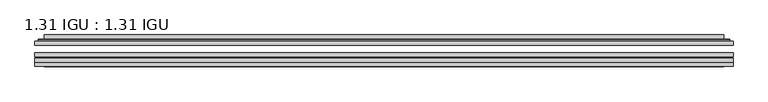
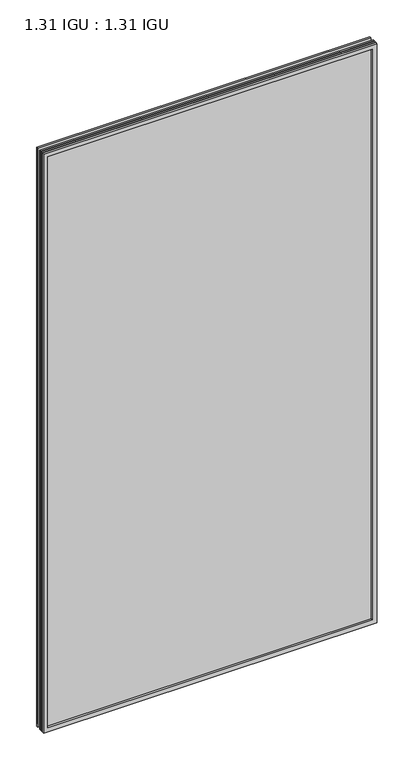
"""IFC4 building model written with IfcOpenShell, lengths in millimetres: plate geometry, 1.31 IGU : 1.31 IGU."""

import ifcopenshell
import ifcopenshell.guid

model = None  # the IFC model being written
_history = None  # IfcOwnerHistory: only IFC2X3 demands one
_inside = {}  # id of a spatial element -> (the spatial element, [elements in it])
_under = {}  # id of a project, library or spatial element -> (it, [spatial elements below it])
_declared = {}  # id of a project -> (the project, [libraries it declares])
_typed = {}  # id of a type object -> (the type object, [elements of that type])
_made_of = {}  # id of a material, layer set ... -> (it, [elements and type objects made of it])


def new_model(schema):
    """Start an empty IFC model of exactly this schema.

    Asked for "IFC4X3", IfcOpenShell would pick the latest addendum, in which some entities
    have other attributes; the version numbers below select the first issue.
    IFC2X3 requires an IfcOwnerHistory on every rooted entity: one is made here for all.
    """
    global model, _history
    if schema == "IFC4X3":
        model = ifcopenshell.file(schema_version=(4, 3, 0, 0))
    else:
        model = ifcopenshell.file(schema=schema)
    _inside.clear()
    _under.clear()
    _declared.clear()
    _typed.clear()
    _made_of.clear()
    _history = None
    if model.schema == "IFC2X3":
        org = make("IfcOrganization", Name="unknown")
        user = make(
            "IfcPersonAndOrganization",
            ThePerson=make("IfcPerson", FamilyName="unknown"),
            TheOrganization=org,
        )
        app = make(
            "IfcApplication",
            ApplicationDeveloper=org,
            Version="unknown",
            ApplicationFullName="unknown",
            ApplicationIdentifier="unknown",
        )
        _history = make(
            "IfcOwnerHistory",
            OwningUser=user,
            OwningApplication=app,
            ChangeAction="ADDED",
            CreationDate=0,
        )
    return model


def make(cls, **values):
    """One entity of the class cls with the attributes given. An attribute that is None is left unset."""
    return model.create_entity(
        cls, **{name: value for name, value in values.items() if value is not None}
    )


def rooted(cls, **values):
    """An entity with a GlobalId (a new one), such as an element, a storey or a relation."""
    return make(cls, GlobalId=ifcopenshell.guid.new(), OwnerHistory=_history, **values)


def si_unit(unit_type, name, prefix=None):
    """IfcSIUnit, for example si_unit("LENGTHUNIT", "METRE", prefix="MILLI")."""
    return make("IfcSIUnit", UnitType=unit_type, Prefix=prefix, Name=name)


def assignment(units):
    """IfcUnitAssignment: the units of a project."""
    return None if units is None else make("IfcUnitAssignment", Units=units)


def point(xyz):
    """IfcCartesianPoint."""
    return None if xyz is None else make("IfcCartesianPoint", Coordinates=xyz)


def direction(xyz):
    """IfcDirection."""
    return None if xyz is None else make("IfcDirection", DirectionRatios=xyz)


def frame(location, z_axis=None, x_axis=None):
    """IfcAxis2Placement3D, a coordinate frame: its origin and axes. An axis left out is left unset."""
    return make(
        "IfcAxis2Placement3D",
        Location=point(location),
        Axis=direction(z_axis),
        RefDirection=direction(x_axis),
    )


def origin():
    """The frame at (0, 0, 0) with its axes left unset."""
    return frame((0.0, 0.0, 0.0))


def place(relative_to, where):
    """IfcLocalPlacement: puts the frame where relative to a parent placement (None: the world)."""
    return make(
        "IfcLocalPlacement", PlacementRelTo=relative_to, RelativePlacement=where
    )


def context(
    kind, dimensions, precision=None, world=None, true_north=None, identifier=None
):
    """IfcGeometricRepresentationContext, for example the 3D "Model" context."""
    return make(
        "IfcGeometricRepresentationContext",
        ContextIdentifier=identifier,
        ContextType=kind,
        CoordinateSpaceDimension=dimensions,
        Precision=precision,
        WorldCoordinateSystem=world,
        TrueNorth=true_north,
    )


def project(units=None, contexts=None):
    """IfcProject with its units and contexts."""
    return rooted(
        "IfcProject",
        Name="project",
        RepresentationContexts=contexts,
        UnitsInContext=assignment(units),
    )


def spatial(cls, under=None, at=None, **own):
    """A site, building, storey or space (cls), placed at a placement, below another one or the project."""
    s = rooted(cls, ObjectPlacement=at, **own)
    if under is not None:
        _under.setdefault(under.id(), (under, []))[1].append(s)
    return s


def polyline(points):
    """IfcPolyline through the points."""
    return make("IfcPolyline", Points=[point(p) for p in points])


def ellipse_curve(where, semi_axis1, semi_axis2):
    """IfcEllipse in the frame where."""
    return make(
        "IfcEllipse", Position=where, SemiAxis1=semi_axis1, SemiAxis2=semi_axis2
    )


def outline(outer, holes=None, kind="AREA"):
    """IfcArbitraryClosedProfileDef: a profile drawn as a closed curve; with holes, ...WithVoids."""
    if holes is None:
        return make("IfcArbitraryClosedProfileDef", ProfileType=kind, OuterCurve=outer)
    return make(
        "IfcArbitraryProfileDefWithVoids",
        ProfileType=kind,
        OuterCurve=outer,
        InnerCurves=holes,
    )


def extrude(swept, where, along, depth):
    """IfcExtrudedAreaSolid: the profile swept, set in the frame where, extruded along a direction by depth."""
    return make(
        "IfcExtrudedAreaSolid",
        SweptArea=swept,
        Position=where,
        ExtrudedDirection=direction(along),
        Depth=depth,
    )


def faces_of(points, faces, orient=None, outer=None):
    """IfcFace entities. A face is a list of loops; a loop is a list of indices into points, from 0.

    orient and outer hold one flag for each loop. By default every Orientation is true, the
    first loop of a face is its IfcFaceOuterBound and the others are IfcFaceBound.
    """
    made = []
    for i, loops in enumerate(faces):
        bounds = []
        for j, loop in enumerate(loops):
            is_outer = j == 0 if outer is None else outer[i][j]
            bounds.append(
                make(
                    "IfcFaceOuterBound" if is_outer else "IfcFaceBound",
                    Bound=make("IfcPolyLoop", Polygon=[points[k] for k in loop]),
                    Orientation=True if orient is None else orient[i][j],
                )
            )
        made.append(make("IfcFace", Bounds=bounds))
    return made


def faceted_brep(points, faces, orient=None, outer=None, voids=None):
    """IfcFacetedBrep: a solid bounded by flat faces; with voids (closed shells), ...WithVoids."""
    shared = [point(p) for p in points]
    hull = make("IfcClosedShell", CfsFaces=faces_of(shared, faces, orient, outer))
    if voids is None:
        return make("IfcFacetedBrep", Outer=hull)
    return make(
        "IfcFacetedBrepWithVoids",
        Outer=hull,
        Voids=[
            make(cls, CfsFaces=faces_of(shared, fs, o, b)) for cls, fs, o, b in voids
        ],
    )


def shape(context_of_items, identifier, shape_type, items):
    """IfcShapeRepresentation: the items that make up one representation, for example the "Body"."""
    return make(
        "IfcShapeRepresentation",
        ContextOfItems=context_of_items,
        RepresentationIdentifier=identifier,
        RepresentationType=shape_type,
        Items=items,
    )


def source(mapping_origin, context_of_items, identifier, shape_type, items):
    """IfcRepresentationMap: a shape defined once, which mapped items show again and again."""
    return make(
        "IfcRepresentationMap",
        MappingOrigin=mapping_origin,
        MappedRepresentation=shape(context_of_items, identifier, shape_type, items),
    )


def transform(
    local_origin,
    x_axis=None,
    y_axis=None,
    z_axis=None,
    scale=None,
    scale2=None,
    scale3=None,
    uniform=True,
):
    """IfcCartesianTransformationOperator3D, or its non-uniform kind. x_axis, y_axis, z_axis: its Axis1, 2, 3."""
    if uniform:
        return make(
            "IfcCartesianTransformationOperator3D",
            Axis1=direction(x_axis),
            Axis2=direction(y_axis),
            LocalOrigin=point(local_origin),
            Scale=scale,
            Axis3=direction(z_axis),
        )
    return make(
        "IfcCartesianTransformationOperator3DnonUniform",
        Axis1=direction(x_axis),
        Axis2=direction(y_axis),
        LocalOrigin=point(local_origin),
        Scale=scale,
        Axis3=direction(z_axis),
        Scale2=scale2,
        Scale3=scale3,
    )


def mapped(mapping_source, mapping_target):
    """IfcMappedItem: shows the shape of a source again, moved by a transform."""
    return make(
        "IfcMappedItem", MappingSource=mapping_source, MappingTarget=mapping_target
    )


def made_of(thing, what):
    """Note that an element or type object is made of a material, layer set ...; save() writes the relation."""
    if what is not None:
        _made_of.setdefault(what.id(), (what, []))[1].append(thing)
    return thing


def element(
    cls,
    number,
    at=None,
    inside=None,
    cuts=None,
    type_object=None,
    material=None,
    context=None,
    identifier="Body",
    shape_type=None,
    held_by="IfcProductDefinitionShape",
    body=None,
    shapes=None,
    **own,
):
    """One element of the class cls, such as IfcWall. Its Tag is "e" and its number.

    at: its placement. inside: the storey or other place that contains it. cuts: it is an
    opening in that element (IfcRelVoidsElement). A single representation is given by context,
    identifier, shape_type and body (its items); several are given by shapes. held_by: the class
    of the entity that holds the representations. save() writes the other relations.
    """
    e = rooted(cls, Tag="e%d" % number, ObjectPlacement=at, **own)
    if body is not None:
        shapes = [shape(context, identifier, shape_type, body)]
    if shapes is not None:
        e.Representation = make(held_by, Representations=shapes)
    if inside is not None:
        _inside.setdefault(inside.id(), (inside, []))[1].append(e)
    if cuts is not None:
        rooted(
            "IfcRelVoidsElement", RelatingBuildingElement=cuts, RelatedOpeningElement=e
        )
    if type_object is not None:
        _typed.setdefault(type_object.id(), (type_object, []))[1].append(e)
    return made_of(e, material)


def aggregate(whole, parts):
    """IfcRelAggregates: a whole, such as a stair, and the parts it consists of."""
    return rooted("IfcRelAggregates", RelatingObject=whole, RelatedObjects=parts)


def save(model, path):
    """Write the relations noted so far, then the file.

    IfcRelAggregates (storeys below a building ...), IfcRelContainedInSpatialStructure (elements
    in a storey), IfcRelDefinesByType, IfcRelAssociatesMaterial and IfcRelDeclares: one each for
    every whole, place, type object, material and project.
    """
    for whole, parts in _under.values():
        aggregate(whole, parts)
    for where, things in _inside.values():
        rooted(
            "IfcRelContainedInSpatialStructure",
            RelatedElements=things,
            RelatingStructure=where,
        )
    for kind, things in _typed.values():
        rooted("IfcRelDefinesByType", RelatedObjects=things, RelatingType=kind)
    for what, things in _made_of.values():
        rooted("IfcRelAssociatesMaterial", RelatedObjects=things, RelatingMaterial=what)
    for by, libraries in _declared.values():
        rooted("IfcRelDeclares", RelatingContext=by, RelatedDefinitions=libraries)
    model.write(path)


def plane_surface(at):
    """IfcPlane: the flat surface through the origin of the frame at, square to its z axis."""
    return make("IfcPlane", Position=at)


def cylinder_surface(at, radius):
    """IfcCylindricalSurface: all points at the distance radius from the z axis of the frame at."""
    return make("IfcCylindricalSurface", Position=at, Radius=radius)


def advanced_brep(points, edges, surfaces, faces):
    """IfcAdvancedBrep: a solid bounded by faces that lie on surfaces and meet in shared edges.

    An edge is (start, end): straight between two places in points (the first is 0);
    or (start, end, curve); or (start, end, curve, False) where it runs against its curve.
    A face is (place in surfaces, loops), or (place, loops, False) where it looks against
    its surface's normal. A loop lists edges by number (the first is 1), with a minus sign
    where the edge is run from its end to its start. The first loop is the outer one.
    """
    corners = [point(p) for p in points]
    vertices = [make("IfcVertexPoint", VertexGeometry=c) for c in corners]
    made = []
    for start, end, *more in edges:
        made.append(
            make(
                "IfcEdgeCurve",
                EdgeStart=vertices[start],
                EdgeEnd=vertices[end],
                EdgeGeometry=more[0] if more else make("IfcPolyline", Points=[corners[start], corners[end]]),
                SameSense=more[1] if len(more) > 1 else True,
            )
        )
    hull = []
    for where, loops, *sense in faces:
        bounds = []
        for j, loop in enumerate(loops):
            ring = [make("IfcOrientedEdge", EdgeElement=made[abs(k) - 1], Orientation=k > 0) for k in loop]
            bounds.append(
                make(
                    "IfcFaceOuterBound" if j == 0 else "IfcFaceBound",
                    Bound=make("IfcEdgeLoop", EdgeList=ring),
                    Orientation=True,
                )
            )
        hull.append(make("IfcAdvancedFace", Bounds=bounds, FaceSurface=surfaces[where], SameSense=sense[0] if sense else True))
    return make("IfcAdvancedBrep", Outer=make("IfcClosedShell", CfsFaces=hull))


def plate_1_31_igu_1_31_igu_1517bbd0(model_context):
    return source(origin(), model_context, "Body", "SolidModel", [
        extrude(outline(polyline([(547.70485, -63.59525), (547.70485, -69.94525), (-547.690675, -69.94525), (-547.690675, -63.59525), (547.70485, -63.59525)])), frame((0.0, 0.0, -14.2875), z_axis=(0.0, 0.0, 1.0), x_axis=(1.0, 0.0, 0.0)), (0.0, 0.0, 1.0), 2009.8015278),
        extrude(outline(polyline([(-547.690675, -78.58125), (-547.690675, -72.230745), (547.70485, -72.230745), (547.70485, -78.58125), (-547.690675, -78.58125)])), frame((0.0, 0.0, -14.2875), z_axis=(0.0, 0.0, 1.0), x_axis=(1.0, 0.0, 0.0)), (0.0, 0.0, 1.0), 2009.8015278),
        extrude(outline(polyline([(547.70485, -45.25645), (547.70485, -51.60645), (-547.690675, -51.60645), (-547.690675, -45.25645), (547.70485, -45.25645)])), frame((0.0, 0.0, -14.2875), z_axis=(0.0, 0.0, 1.0), x_axis=(1.0, 0.0, 0.0)), (0.0, 0.0, 1.0), 2009.8015278),
        faceted_brep([(-547.703375, -84.93125, 1995.5229299), (-547.703375, -78.58125, 1995.5229299), (-547.703375, -78.58125, -14.3002), (-547.703375, -84.93125, -14.3002), (547.703375, -78.58125, -14.3002), (547.703375, -84.93125, -14.3002), (547.703375, -78.58125, 1995.5229299), (547.703375, -84.93125, 1995.5229299), (-532.5054309, -78.58125, 0.8977441), (532.5054309, -78.58125, 0.8977441), (532.5054309, -78.58125, 1980.3249858), (-532.5054309, -78.58125, 1980.3249858), (-533.3978652, -84.93125, 1981.2174201), (533.3978652, -84.93125, 1981.2174201), (533.3978652, -84.93125, 0.0053098), (-533.3978652, -84.93125, 0.0053098)], [[[0, 1, 2, 3]], [[3, 2, 4, 5]], [[5, 4, 6, 7]], [[1, 6, 4, 2], [8, 9, 10, 11]], [[7, 6, 1, 0]], [[3, 5, 7, 0], [12, 13, 14, 15]], [[11, 12, 15, 8]], [[8, 15, 14, 9]], [[9, 14, 13, 10]], [[10, 13, 12, 11]]]),
        advanced_brep(
        [(-540.449394, -45.25645, 1988.2689489), (-542.8035994, -43.2667833, 1990.6231543), (-542.8035994, -43.2667833, -9.4004244), (-540.449394, -45.25645, -7.046219), (-531.3750689, -41.416413, 1979.1946238), (-526.4402371, -45.25645, 1974.2597919), (-526.4402371, -45.25645, 6.9629379), (-531.3750689, -41.416413, 2.0281061), (-532.4070967, -36.0191819, 1980.2266515), (-532.4070967, -36.0191819, 0.9960783), (-533.3977534, -35.6202069, 1981.2173083), (-533.3977534, -35.6202069, 0.0054216), (-533.3977534, -42.08145, 1981.2173083), (-533.3977534, -42.08145, 0.0054216), (-541.8018099, -42.08145, 1989.6213648), (-541.8018099, -42.08145, -8.3986349), (542.8035994, -43.2667833, -9.4004244), (540.449394, -45.25645, -7.046219), (526.4402371, -45.25645, 6.9629379), (531.3750689, -41.416413, 2.0281061), (532.4070967, -36.0191819, 0.9960783), (533.3977534, -35.6202069, 0.0054216), (533.3977534, -42.08145, 0.0054216), (541.8018099, -42.08145, -8.3986349), (542.8035994, -43.2667833, 1990.6231543), (540.449394, -45.25645, 1988.2689489), (526.4402371, -45.25645, 1974.2597919), (531.3750689, -41.416413, 1979.1946238), (532.4070967, -36.0191819, 1980.2266515), (533.3977534, -35.6202069, 1981.2173083), (533.3977534, -42.08145, 1981.2173083), (541.8018099, -42.08145, 1989.6213648)],
        [
            (0, 1, ellipse_curve(frame((-540.449394, -42.86885, 1988.2689489), z_axis=(-0.7071067811865475, 0.0, -0.7071067811865475), x_axis=(-0.7071067811865474, 0.0, 0.7071067811865476)), 3.3765763, 2.3876)),
            (1, 2),
            (2, 3, ellipse_curve(frame((-540.449394, -42.86885, -7.046219), z_axis=(-0.7071067811865475, 0.0, 0.7071067811865475), x_axis=(0.7071067811865474, 0.0, 0.7071067811865476)), 3.3765763, 2.3876)),
            (3, 0),
            (4, 5),
            (5, 6),
            (6, 7),
            (7, 4),
            (8, 4),
            (7, 9),
            (9, 8),
            (10, 8, ellipse_curve(frame((-533.0307969, -36.1384423, 1980.8503517), z_axis=(-0.7071067811865475, 0.0, -0.7071067811865475), x_axis=(-0.7071067811865474, 0.0, 0.7071067811865476)), 0.8980256, 0.635)),
            (9, 11, ellipse_curve(frame((-533.0307969, -36.1384423, 0.3723781), z_axis=(-0.7071067811865475, 0.0, 0.7071067811865475), x_axis=(0.7071067811865474, 0.0, 0.7071067811865476)), 0.8980256, 0.635)),
            (11, 10),
            (12, 10),
            (11, 13),
            (13, 12),
            (1, 14, ellipse_curve(frame((-541.8018099, -43.09745, 1989.6213648), z_axis=(-0.7071067811865475, 0.0, -0.7071067811865475), x_axis=(-0.7071067811865474, 0.0, 0.7071067811865476)), 1.436841, 1.016)),
            (14, 15),
            (15, 2, ellipse_curve(frame((-541.8018099, -43.09745, -8.3986349), z_axis=(-0.7071067811865475, 0.0, 0.7071067811865475), x_axis=(0.7071067811865474, 0.0, 0.7071067811865476)), 1.436841, 1.016)),
            (2, 16),
            (16, 17, ellipse_curve(frame((540.449394, -42.86885, -7.046219), z_axis=(-0.7071067811865475, 0.0, -0.7071067811865475), x_axis=(-0.7071067811865476, 0.0, 0.7071067811865474)), 3.3765763, 2.3876)),
            (17, 3),
            (6, 18),
            (18, 19),
            (19, 7),
            (19, 20),
            (20, 9),
            (20, 21, ellipse_curve(frame((533.0307969, -36.1384423, 0.3723781), z_axis=(-0.7071067811865475, 0.0, -0.7071067811865475), x_axis=(-0.7071067811865476, 0.0, 0.7071067811865474)), 0.8980256, 0.635)),
            (21, 11),
            (21, 22),
            (22, 13),
            (15, 23),
            (23, 16, ellipse_curve(frame((541.8018099, -43.09745, -8.3986349), z_axis=(-0.7071067811865475, 0.0, -0.7071067811865475), x_axis=(-0.7071067811865476, 0.0, 0.7071067811865474)), 1.436841, 1.016)),
            (16, 24),
            (24, 25, ellipse_curve(frame((540.449394, -42.86885, 1988.2689489), z_axis=(0.7071067811865475, 0.0, -0.7071067811865475), x_axis=(-0.7071067811865474, 0.0, -0.7071067811865476)), 3.3765763, 2.3876)),
            (25, 17),
            (18, 26),
            (26, 27),
            (27, 19),
            (27, 28),
            (28, 20),
            (28, 29, ellipse_curve(frame((533.0307969, -36.1384423, 1980.8503517), z_axis=(0.7071067811865475, 0.0, -0.7071067811865475), x_axis=(-0.7071067811865474, 0.0, -0.7071067811865476)), 0.8980256, 0.635)),
            (29, 21),
            (29, 30),
            (30, 22),
            (23, 31),
            (31, 24, ellipse_curve(frame((541.8018099, -43.09745, 1989.6213648), z_axis=(0.7071067811865475, 0.0, -0.7071067811865475), x_axis=(-0.7071067811865474, 0.0, -0.7071067811865476)), 1.436841, 1.016)),
            (24, 1),
            (0, 25),
            (5, 26),
            (4, 27),
            (8, 28),
            (10, 29),
            (12, 30),
            (14, 31),
        ],
        [
            cylinder_surface(frame((-540.449394, -42.86885, 2012.9727299), z_axis=(0.0, 0.0, 1.0), x_axis=(-1.0, 0.0, 0.0)), 2.3876),
            plane_surface(frame((-526.4402371, -45.25645, 1974.2597919), z_axis=(0.6141233906514794, 0.7892100234124821, 0.0), x_axis=(0.0, 0.0, -1.0))),
            plane_surface(frame((-531.3750689, -41.416413, 1979.1946238), z_axis=(0.9822050625507729, 0.18781164793386076, 0.0), x_axis=(0.0, 0.0, -1.0))),
            cylinder_surface(frame((-533.0307969, -36.1384423, 2012.9727299), z_axis=(0.0, 0.0, 1.0), x_axis=(-1.0, 0.0, 0.0)), 0.635),
            plane_surface(frame((-533.3977534, -35.6202069, 1981.2173083), z_axis=(-1.0, 0.0, 0.0), x_axis=(0.0, 0.0, -1.0))),
            cylinder_surface(frame((-541.8018099, -43.09745, 2012.9727299), z_axis=(0.0, 0.0, 1.0), x_axis=(-1.0, 0.0, 0.0)), 1.016),
            cylinder_surface(frame((-565.153175, -42.86885, -7.046219), z_axis=(-1.0, 0.0, 0.0), x_axis=(0.0, 0.0, -1.0)), 2.3876),
            plane_surface(frame((-526.4402371, -45.25645, 6.9629379), z_axis=(0.0, 0.7892100234124841, 0.6141233906514768), x_axis=(1.0, 0.0, 0.0))),
            plane_surface(frame((-531.3750689, -41.416413, 2.0281061), z_axis=(0.0, 0.18781164793386393, 0.9822050625507723), x_axis=(1.0, 0.0, 0.0))),
            cylinder_surface(frame((-565.153175, -36.1384423, 0.3723781), z_axis=(-1.0, 0.0, 0.0), x_axis=(0.0, 0.0, -1.0)), 0.635),
            plane_surface(frame((-533.3977534, -35.6202069, 0.0054216), z_axis=(0.0, 0.0, -1.0), x_axis=(1.0, 0.0, 0.0))),
            cylinder_surface(frame((-565.153175, -43.09745, -8.3986349), z_axis=(-1.0, 0.0, 0.0), x_axis=(0.0, 0.0, -1.0)), 1.016),
            cylinder_surface(frame((540.449394, -42.86885, -31.75), z_axis=(0.0, 0.0, -1.0), x_axis=(1.0, 0.0, 0.0)), 2.3876),
            plane_surface(frame((526.4402371, -45.25645, 6.9629379), z_axis=(-0.6141233906514743, 0.7892100234124861, 0.0), x_axis=(0.0, 0.0, 1.0))),
            plane_surface(frame((531.3750689, -41.416413, 2.0281061), z_axis=(-0.9822050625507718, 0.1878116479338671, 0.0), x_axis=(0.0, 0.0, 1.0))),
            cylinder_surface(frame((533.0307969, -36.1384423, -31.75), z_axis=(0.0, 0.0, -1.0), x_axis=(1.0, 0.0, 0.0)), 0.635),
            plane_surface(frame((533.3977534, -35.6202069, 0.0054216), z_axis=(1.0, 0.0, 0.0), x_axis=(0.0, 0.0, 1.0))),
            cylinder_surface(frame((541.8018099, -43.09745, -31.75), z_axis=(0.0, 0.0, -1.0), x_axis=(1.0, 0.0, 0.0)), 1.016),
            cylinder_surface(frame((565.153175, -42.86885, 1988.2689489), z_axis=(1.0, 0.0, 0.0), x_axis=(0.0, 0.0, 1.0)), 2.3876),
            plane_surface(frame((540.449394, -45.25645, 1988.2689489), z_axis=(0.0, -1.0, 0.0), x_axis=(-1.0, 0.0, 0.0))),
            plane_surface(frame((526.4402371, -45.25645, 1974.2597919), z_axis=(0.0, 0.7892100234124841, -0.6141233906514768), x_axis=(-1.0, 0.0, 0.0))),
            plane_surface(frame((531.3750689, -41.416413, 1979.1946238), z_axis=(0.0, 0.18781164793386393, -0.9822050625507723), x_axis=(-1.0, 0.0, 0.0))),
            cylinder_surface(frame((565.153175, -36.1384423, 1980.8503517), z_axis=(1.0, 0.0, 0.0), x_axis=(0.0, 0.0, 1.0)), 0.635),
            plane_surface(frame((533.3977534, -35.6202069, 1981.2173083), z_axis=(0.0, 0.0, 1.0), x_axis=(-1.0, 0.0, 0.0))),
            plane_surface(frame((533.3977534, -42.08145, 1981.2173083), z_axis=(0.0, 1.0, 0.0), x_axis=(-1.0, 0.0, 0.0))),
            cylinder_surface(frame((565.153175, -43.09745, 1989.6213648), z_axis=(1.0, 0.0, 0.0), x_axis=(0.0, 0.0, 1.0)), 1.016),
        ],
        [
            (0, [[1, 2, 3, 4]]),
            (1, [[5, 6, 7, 8]]),
            (2, [[9, -8, 10, 11]]),
            (3, [[12, -11, 13, 14]]),
            (4, [[15, -14, 16, 17]]),
            (5, [[18, 19, 20, -2]]),
            (6, [[-3, 21, 22, 23]]),
            (7, [[-7, 24, 25, 26]]),
            (8, [[-10, -26, 27, 28]]),
            (9, [[-13, -28, 29, 30]]),
            (10, [[-16, -30, 31, 32]]),
            (11, [[-20, 33, 34, -21]]),
            (12, [[-22, 35, 36, 37]]),
            (13, [[-25, 38, 39, 40]]),
            (14, [[-27, -40, 41, 42]]),
            (15, [[-29, -42, 43, 44]]),
            (16, [[-31, -44, 45, 46]]),
            (17, [[-34, 47, 48, -35]]),
            (18, [[-36, 49, -1, 50]]),
            (19, [[-23, -37, -50, -4], [51, -38, -24, -6]]),
            (20, [[-39, -51, -5, 52]]),
            (21, [[-41, -52, -9, 53]]),
            (22, [[-43, -53, -12, 54]]),
            (23, [[-45, -54, -15, 55]]),
            (24, [[56, -47, -33, -19], [-32, -46, -55, -17]]),
            (25, [[-48, -56, -18, -49]]),
        ],
    ),
    ])


if __name__ == "__main__":
    model = new_model("IFC4")
    model_context = context("Model", 3, world=origin())
    ifc_project = project(units=[si_unit("LENGTHUNIT", "METRE", prefix="MILLI")], contexts=[model_context])
    site = spatial("IfcSite", under=ifc_project)
    building = spatial("IfcBuilding", under=site)
    placement = place(None, origin())
    plate_1_31_igu_1_31_igu_shape = plate_1_31_igu_1_31_igu_1517bbd0(model_context)
    element("IfcPlate", 1, ObjectType="1.31 IGU : 1.31 IGU", at=placement, inside=building, context=model_context, shape_type="MappedRepresentation", body=[
        mapped(plate_1_31_igu_1_31_igu_shape, transform((0.0, 0.0, 0.0), x_axis=(1.0, 0.0, 0.0), y_axis=(0.0, 1.0, 0.0), z_axis=(0.0, 0.0, 1.0))),
    ])
    save(model, "model.ifc")
